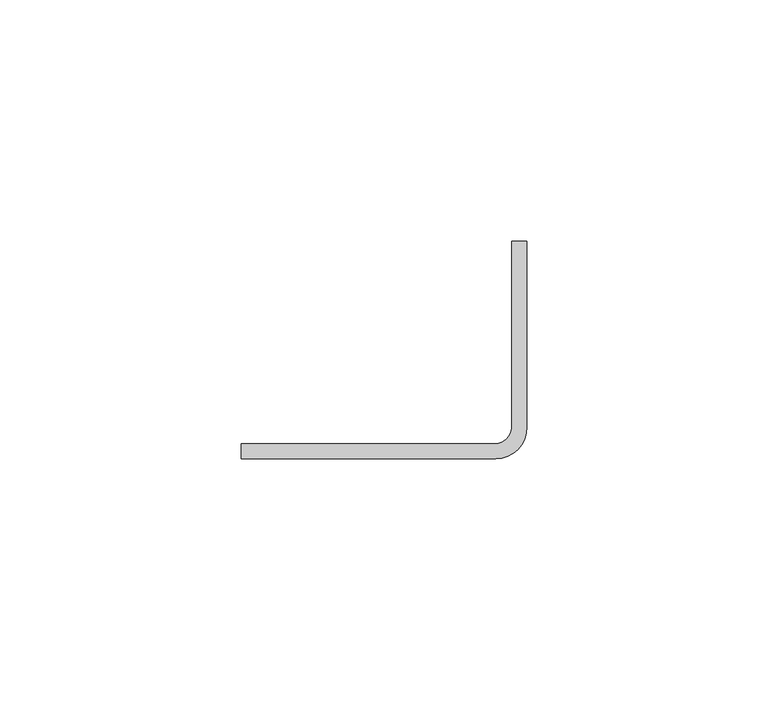
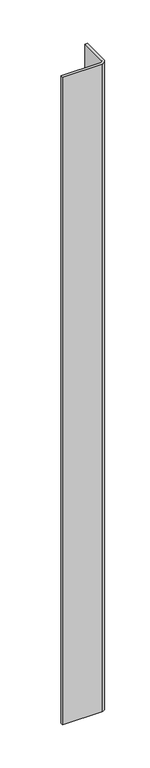
"""IFC4 building model written with IfcOpenShell, lengths in millimetres: proxy geometry."""

from ifc_helpers import new_model, si_unit, point, frame, frame_2d, origin, place, context, project, spatial, polyline, circle_curve, trimmed, segment, composite_curve, outline, extrude, source, transform, mapped, element, save


def generic_models_95085582(model_context):
    return source(origin(), model_context, "Body", "SweptSolid", [
        extrude(outline(composite_curve([segment(polyline([(37038.0440424, -24036.7780967), (37090.7783882, -24036.7780967)]), True, "CONTINUOUS"), segment(trimmed(circle_curve(frame_2d((37090.7474554, -24033.4295353)), 3.3487042), [point((37090.7783882, -24036.7780967))], [point((37094.0960168, -24033.4604689))], True, "CARTESIAN"), True, "CONTINUOUS"), segment(polyline([(37094.0960168, -24033.4604689), (37094.0960168, -23994.8085092), (37097.2710168, -23994.8085092), (37097.2710168, -24033.3863594)]), True, "CONTINUOUS"), segment(trimmed(circle_curve(frame_2d((37090.7474554, -24033.4295353)), 6.5237042), [point((37097.2710168, -24033.3863594))], [point((37090.804588, -24039.9529893))], False, "CARTESIAN"), True, "CONTINUOUS"), segment(polyline([(37090.804588, -24039.9529893), (37038.0440424, -24039.9529893), (37038.0440424, -24036.7780967)]), True, "CONTINUOUS")], self_intersect=False)), frame((0.0, 0.0, 1524.0), z_axis=(0.0, 0.0, 1.0), x_axis=(1.0, 0.0, 0.0)), (0.0, 0.0, 1.0), 914.4),
    ])


if __name__ == "__main__":
    model = new_model("IFC4")
    model_context = context("Model", 3, world=origin())
    ifc_project = project(units=[si_unit("LENGTHUNIT", "METRE", prefix="MILLI")], contexts=[model_context])
    site = spatial("IfcSite", under=ifc_project)
    building = spatial("IfcBuilding", under=site)
    placement = place(None, origin())
    generic_models_shape = generic_models_95085582(model_context)
    element("IfcBuildingElementProxy", 1, Name="Generic Models", at=placement, inside=building, context=model_context, shape_type="MappedRepresentation", body=[
        mapped(generic_models_shape, transform((0.0, 0.0, 0.0), x_axis=(1.0, 0.0, 0.0), y_axis=(0.0, 1.0, 0.0), z_axis=(0.0, 0.0, 1.0))),
    ])
    save(model, "model.ifc")
